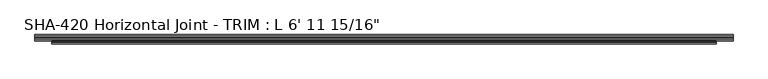
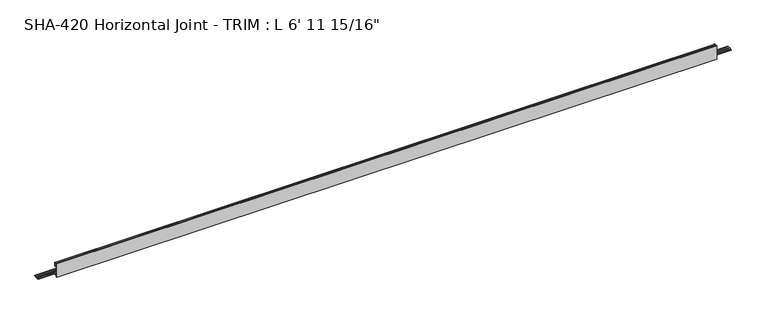
"""IFC4 building model written with IfcOpenShell, lengths in millimetres: proxy geometry."""

from ifc_helpers import new_model, si_unit, frame, origin, place, context, project, spatial, polyline, circle_curve, source, transform, mapped, element, save
from ifc_brep_helpers import plane_surface, cylinder_surface, revolved_surface, advanced_brep


def proxy_8dc883f0(model_context):
    return source(origin(), model_context, "Body", "AdvancedBrep", [
        advanced_brep(
        [(2132.0125, -10.5641724, -14.5120878), (2132.0125, -10.5641724, -16.0868881), (2132.0125, -6.2207723, -16.0868881), (2132.0125, -3.0711723, -16.0868881), (2132.0125, 1.1325276, -16.0868881), (2132.0125, 4.2821276, -16.0868881), (2132.0125, 8.4858276, -16.0868881), (2132.0125, 8.4858276, -14.5120878), (2132.0125, 4.2821276, -14.5120878), (2132.0125, 1.1325276, -14.5120878), (2132.0125, -3.0711723, -14.5120878), (2132.0125, -6.2207723, -14.5120878), (0.0, -10.5641724, -16.0868881), (0.0, -10.5641724, -14.5120878), (0.0, -6.2207723, -14.5120878), (0.0, -3.0711723, -14.5120878), (0.0, 1.1325276, -14.5120878), (0.0, 4.2821276, -14.5120878), (0.0, 8.4858276, -14.5120878), (0.0, 8.4858276, -16.0868881), (0.0, 4.2821276, -16.0868881), (0.0, 1.1325276, -16.0868881), (0.0, -3.0711723, -16.0868881), (0.0, -6.2207723, -16.0868881), (2081.2125, -12.8855416, 21.9656491), (2081.2125, -11.756868, 22.4248425), (2081.2125, -10.5641724, 21.8995653), (50.8, -10.5641724, 21.8995653), (50.8, -11.756868, 22.4248425), (50.8, -12.8855416, 21.9656491), (2081.2125, -10.5641724, 9.8147622), (50.8, -10.5641724, 9.8147622), (2081.2125, -17.2443724, 9.8147622), (50.8, -17.2443724, 9.8147622), (2081.2125, -18.5143724, 8.5447622), (50.8, -18.5143724, 8.5447622), (2081.2125, -18.5143724, -4.3266878), (50.8, -18.5143724, -4.3266878), (2081.2125, -10.5664, -4.3266878), (50.8, -10.5664, -4.3266878), (2081.2125, -10.5664, -14.5120878), (50.8, -10.5664, -14.5120878), (2081.2125, -10.5641724, -16.0868881), (50.8, -10.5664, -16.0868881), (2081.2125, -10.5664, -17.6616881), (50.8, -10.5664, -17.6616881), (2081.2125, -12.8070246, -17.6616881), (50.8, -12.8070246, -17.6616881), (2081.2125, -14.7028353, -6.590154), (50.8, -14.7028353, -6.590154), (2081.2125, -16.9116736, -6.590154), (50.8, -16.9116736, -6.590154), (2081.2125, -16.9116736, -22.4241878), (50.8, -16.9116736, -22.4241878), (2081.2125, -20.0891724, -22.4241878), (50.8, -20.0891724, -22.4241878), (2081.2125, -20.0891724, 22.4241878), (50.8, -20.0891724, 22.4241878), (2081.2125, -16.9116736, 22.4241878), (50.8, -16.9116736, 22.4241878), (2081.2125, -16.9116736, 11.3895622), (50.8, -16.9116736, 11.3895622), (2081.2125, -14.6965154, 11.3895622), (50.8, -14.6965154, 11.3895622)],
        [
            (0, 1),
            (1, 2),
            (2, 3, circle_curve(frame((2132.0125, -4.6459723, -16.0868881), z_axis=(1.0, 0.0, 0.0), x_axis=(0.0, -1.0, 0.0)), 1.5748)),
            (3, 4),
            (4, 5, circle_curve(frame((2132.0125, 2.7073276, -16.0868881), z_axis=(1.0, 0.0, 0.0), x_axis=(0.0, -1.0, 0.0)), 1.5748)),
            (5, 6),
            (6, 7),
            (7, 8),
            (8, 9, circle_curve(frame((2132.0125, 2.7073276, -14.5120878), z_axis=(1.0, 0.0, 0.0), x_axis=(0.0, -1.0, 0.0)), 1.5748)),
            (9, 10),
            (10, 11, circle_curve(frame((2132.0125, -4.6459723, -14.5120878), z_axis=(1.0, 0.0, 0.0), x_axis=(0.0, -1.0, 0.0)), 1.5748)),
            (11, 0),
            (12, 13),
            (13, 14),
            (14, 15, circle_curve(frame((0.0, -4.6459723, -14.5120878), z_axis=(-1.0, 0.0, 0.0), x_axis=(0.0, -1.0, 0.0)), 1.5748)),
            (15, 16),
            (16, 17, circle_curve(frame((0.0, 2.7073276, -14.5120878), z_axis=(-1.0, 0.0, 0.0), x_axis=(0.0, -1.0, 0.0)), 1.5748)),
            (17, 18),
            (18, 19),
            (19, 20),
            (20, 21, circle_curve(frame((0.0, 2.7073276, -16.0868881), z_axis=(-1.0, 0.0, 0.0), x_axis=(0.0, -1.0, 0.0)), 1.5748)),
            (21, 22),
            (22, 23, circle_curve(frame((0.0, -4.6459723, -16.0868881), z_axis=(-1.0, 0.0, 0.0), x_axis=(0.0, -1.0, 0.0)), 1.5748)),
            (23, 12),
            (24, 25, circle_curve(frame((2081.2125, -11.756868, 20.808135), z_axis=(-1.0, 0.0, 0.0), x_axis=(0.0, -1.0, 0.0)), 1.6167075)),
            (25, 26, circle_curve(frame((2081.2125, -11.756868, 20.808135), z_axis=(-1.0, 0.0, 0.0), x_axis=(0.0, -1.0, 0.0)), 1.6167075)),
            (26, 27),
            (27, 28, circle_curve(frame((50.8, -11.756868, 20.808135), z_axis=(1.0, 0.0, 0.0), x_axis=(0.0, -1.0, 0.0)), 1.6167075)),
            (28, 29, circle_curve(frame((50.8, -11.756868, 20.808135), z_axis=(1.0, 0.0, 0.0), x_axis=(0.0, -1.0, 0.0)), 1.6167075)),
            (29, 24),
            (26, 30),
            (30, 31),
            (31, 27),
            (30, 32),
            (32, 33),
            (33, 31),
            (32, 34, circle_curve(frame((2081.2125, -17.2443724, 8.5447622), z_axis=(1.0, 0.0, 0.0), x_axis=(0.0, -1.0, 0.0)), 1.27)),
            (34, 35),
            (35, 33, circle_curve(frame((50.8, -17.2443724, 8.5447622), z_axis=(-1.0, 0.0, 0.0), x_axis=(0.0, -1.0, 0.0)), 1.27)),
            (34, 36),
            (36, 37),
            (37, 35),
            (36, 38),
            (38, 39),
            (39, 37),
            (38, 40),
            (40, 41),
            (41, 39),
            (11, 14),
            (13, 41),
            (40, 0),
            (1, 42),
            (42, 43),
            (43, 12),
            (23, 2),
            (42, 44),
            (44, 45),
            (45, 43),
            (44, 46),
            (46, 47),
            (47, 45),
            (46, 48),
            (48, 49),
            (49, 47),
            (48, 50),
            (50, 51),
            (51, 49),
            (50, 52),
            (52, 53),
            (53, 51),
            (52, 54),
            (54, 55),
            (55, 53),
            (54, 56),
            (56, 57),
            (57, 55),
            (56, 58),
            (58, 59),
            (59, 57),
            (58, 60),
            (60, 61),
            (61, 59),
            (60, 62),
            (62, 63),
            (63, 61),
            (29, 63),
            (62, 24),
            (43, 41),
            (40, 42),
            (10, 15),
            (9, 16),
            (8, 17),
            (7, 18),
            (6, 19),
            (5, 20),
            (4, 21),
            (3, 22),
        ],
        [
            plane_surface(frame((2132.0125, -13.3735755, 20.808135), z_axis=(1.0, 0.0, 0.0), x_axis=(0.0, 0.0, 1.0))),
            plane_surface(frame((0.0, -13.3735755, 20.808135), z_axis=(-1.0, 0.0, 0.0), x_axis=(0.0, 0.0, -1.0))),
            cylinder_surface(frame((0.0, -11.756868, 20.808135), z_axis=(1.0, 0.0, 0.0), x_axis=(0.0, -1.0, 0.0)), 1.6167075),
            plane_surface(frame((2132.0125, -10.5641724, 21.8995653), z_axis=(0.0, 1.0, 0.0), x_axis=(-1.0, 0.0, 0.0))),
            plane_surface(frame((2132.0125, -10.5641724, 9.8147622), z_axis=(0.0, 0.0, -1.0), x_axis=(-1.0, 0.0, 0.0))),
            revolved_surface(polyline([(50.8, -18.5143724, 8.5447622), (2081.2125, -18.5143724, 8.5447622)]), (0.0, -17.2443724, 8.5447622), (-1.0, 0.0, 0.0)),
            plane_surface(frame((2132.0125, -18.5143724, 8.5447622), z_axis=(0.0, 1.0, 0.0), x_axis=(-1.0, 0.0, 0.0))),
            plane_surface(frame((2132.0125, -18.5143724, -4.3266878), z_axis=(0.0, 0.0, 1.0), x_axis=(-1.0, 0.0, 0.0))),
            plane_surface(frame((2132.0125, -10.5664, -4.3266878), z_axis=(0.0, 1.0, 0.0), x_axis=(-1.0, 0.0, 0.0))),
            plane_surface(frame((2132.0125, -10.5664, -14.5120878), z_axis=(0.0, -6.550851548008525e-11, 1.0), x_axis=(-1.0, 0.0, 0.0))),
            plane_surface(frame((2132.0125, -6.2207723, -16.0868881), z_axis=(0.0, 0.0, -1.0), x_axis=(-1.0, 0.0, 0.0))),
            plane_surface(frame((2132.0125, -10.5664, -16.0868881), z_axis=(0.0, 1.0, 0.0), x_axis=(-1.0, 0.0, 0.0))),
            plane_surface(frame((2132.0125, -10.5664, -17.6616881), z_axis=(0.0, 1.2686311474070984e-12, -1.0), x_axis=(-1.0, 0.0, 0.0))),
            plane_surface(frame((2132.0125, -12.8070246, -17.6616881), z_axis=(0.0, -0.9856543593992835, -0.1687764314031673), x_axis=(-1.0, 0.0, 0.0))),
            plane_surface(frame((2132.0125, -14.7028353, -6.590154), z_axis=(0.0, 0.0, -1.0), x_axis=(-1.0, 0.0, 0.0))),
            plane_surface(frame((2132.0125, -16.9116736, -6.590154), z_axis=(0.0, 1.0, 0.0), x_axis=(-1.0, 0.0, 0.0))),
            plane_surface(frame((2132.0125, -16.9116736, -22.4241878), z_axis=(0.0, 0.0, -1.0), x_axis=(-1.0, 0.0, 0.0))),
            plane_surface(frame((2132.0125, -20.0891724, -22.4241878), z_axis=(0.0, -1.0, 0.0), x_axis=(-1.0, 0.0, 0.0))),
            plane_surface(frame((2132.0125, -20.0891724, 22.4241878), z_axis=(0.0, 0.0, 1.0), x_axis=(-1.0, 0.0, 0.0))),
            plane_surface(frame((2132.0125, -16.9116736, 22.4241878), z_axis=(0.0, 1.0, 0.0), x_axis=(-1.0, 0.0, 0.0))),
            plane_surface(frame((2132.0125, -16.9116736, 11.3895622), z_axis=(0.0, 0.0, 1.0), x_axis=(-1.0, 0.0, 0.0))),
            plane_surface(frame((2132.0125, -14.6965154, 11.3895622), z_axis=(0.0, -0.9856543593990678, 0.16877643140442766), x_axis=(-1.0, 0.0, 0.0))),
            plane_surface(frame((2081.2125, -10.5641724, 22.4248425), z_axis=(0.0, -1.0, 0.0), x_axis=(0.0, 0.0, -1.0))),
            plane_surface(frame((2081.2125, -10.5641724, 22.4248425), z_axis=(1.0, 0.0, 0.0), x_axis=(0.0, -1.0, 0.0))),
            plane_surface(frame((50.8, -10.5641724, -22.4241878), z_axis=(-1.0, 0.0, 0.0), x_axis=(0.0, -1.0, 0.0))),
            cylinder_surface(frame((0.0, -4.6459723, -14.5120878), z_axis=(1.0, 0.0, 0.0), x_axis=(0.0, -1.0, 0.0)), 1.5748),
            plane_surface(frame((2132.0125, -3.0711723, -14.5120878), z_axis=(0.0, -6.693990801291056e-11, 1.0), x_axis=(-1.0, 0.0, 0.0))),
            cylinder_surface(frame((0.0, 2.7073276, -14.5120878), z_axis=(1.0, 0.0, 0.0), x_axis=(0.0, -1.0, 0.0)), 1.5748),
            plane_surface(frame((2132.0125, 4.2821276, -14.5120878), z_axis=(0.0, 0.0, 1.0), x_axis=(-1.0, 0.0, 0.0))),
            plane_surface(frame((2132.0125, 8.4858276, -14.5120878), z_axis=(0.0, 1.0, 0.0), x_axis=(-1.0, 0.0, 0.0))),
            plane_surface(frame((2132.0125, 8.4858276, -16.0868881), z_axis=(0.0, 0.0, -1.0), x_axis=(-1.0, 0.0, 0.0))),
            cylinder_surface(frame((0.0, 2.7073276, -16.0868881), z_axis=(1.0, 0.0, 0.0), x_axis=(0.0, -1.0, 0.0)), 1.5748),
            plane_surface(frame((2132.0125, 1.1325276, -16.0868881), z_axis=(0.0, 0.0, -1.0), x_axis=(-1.0, 0.0, 0.0))),
            cylinder_surface(frame((0.0, -4.6459723, -16.0868881), z_axis=(1.0, 0.0, 0.0), x_axis=(0.0, -1.0, 0.0)), 1.5748),
        ],
        [
            (0, [[1, 2, 3, 4, 5, 6, 7, 8, 9, 10, 11, 12]]),
            (1, [[13, 14, 15, 16, 17, 18, 19, 20, 21, 22, 23, 24]]),
            (2, [[25, 26, 27, 28, 29, 30]]),
            (3, [[31, 32, 33, -27]]),
            (4, [[34, 35, 36, -32]]),
            (5, [[37, 38, 39, -35]]),
            (6, [[40, 41, 42, -38]]),
            (7, [[43, 44, 45, -41]]),
            (8, [[46, 47, 48, -44]]),
            (9, [[49, -14, 50, -47, 51, -12]]),
            (10, [[52, 53, 54, -24, 55, -2]]),
            (11, [[56, 57, 58, -53]]),
            (12, [[59, 60, 61, -57]]),
            (13, [[62, 63, 64, -60]]),
            (14, [[65, 66, 67, -63]]),
            (15, [[68, 69, 70, -66]]),
            (16, [[71, 72, 73, -69]]),
            (17, [[74, 75, 76, -72]]),
            (18, [[77, 78, 79, -75]]),
            (19, [[80, 81, 82, -78]]),
            (20, [[83, 84, 85, -81]]),
            (21, [[86, -84, 87, -30]]),
            (22, [[-50, -13, -54, 88]]),
            (22, [[-52, -1, -51, 89]]),
            (23, [[-46, -43, -40, -37, -34, -31, -26, -25, -87, -83, -80, -77, -74, -71, -68, -65, -62, -59, -56, -89]]),
            (24, [[-58, -61, -64, -67, -70, -73, -76, -79, -82, -85, -86, -29, -28, -33, -36, -39, -42, -45, -48, -88]]),
            (25, [[90, -15, -49, -11]]),
            (26, [[91, -16, -90, -10]]),
            (27, [[92, -17, -91, -9]]),
            (28, [[93, -18, -92, -8]]),
            (29, [[94, -19, -93, -7]]),
            (30, [[95, -20, -94, -6]]),
            (31, [[96, -21, -95, -5]]),
            (32, [[97, -22, -96, -4]]),
            (33, [[-55, -23, -97, -3]]),
        ],
    ),
    ])


if __name__ == "__main__":
    model = new_model("IFC4")
    model_context = context("Model", 3, world=origin())
    ifc_project = project(units=[si_unit("LENGTHUNIT", "METRE", prefix="MILLI")], contexts=[model_context])
    site = spatial("IfcSite", under=ifc_project)
    building = spatial("IfcBuilding", under=site)
    placement = place(None, origin())
    proxy_shape = proxy_8dc883f0(model_context)
    element("IfcBuildingElementProxy", 1, Name="SHA-420 Horizontal Joint - TRIM : L 6' 11 15/16\"", ObjectType="SHA-420 Horizontal Joint - TRIM : L 6' 11 15/16\"", at=placement, inside=building, context=model_context, shape_type="MappedRepresentation", body=[
        mapped(proxy_shape, transform((0.0, 0.0, 0.0), x_axis=(1.0, 0.0, 0.0), y_axis=(0.0, 1.0, 0.0), z_axis=(0.0, 0.0, 1.0))),
    ])
    save(model, "model.ifc")
